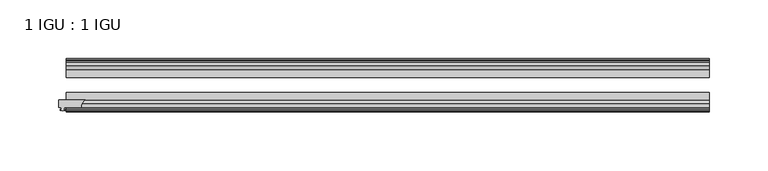
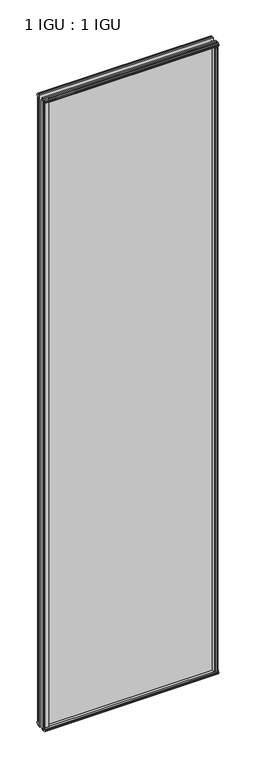
"""IFC4 building model written with IfcOpenShell, lengths in millimetres: plate geometry, 1 IGU : 1 IGU."""

from ifc_helpers import new_model, si_unit, point, frame, frame_2d, origin, origin_with_axes, place, context, project, spatial, polyline, circle_curve, trimmed, segment, composite_curve, outline, extrude, source, transform, mapped, element, save


def plate_1_igu_1_igu_c4179793(model_context):
    return source(origin(), model_context, "Body", "SweptSolid", [
        extrude(outline(composite_curve([segment(trimmed(circle_curve(frame_2d((-252.918249, -51.2493858)), 7.4386445), [point((-256.8681783, -44.9460937))], [point((-260.3567469, -51.2960937))], True, "CARTESIAN"), True, "CONTINUOUS"), segment(polyline([(-260.3567469, -51.2960937), (-274.9617469, -51.2960937), (-275.2792469, -53.4006957), (-274.073341, -53.0775742), (-274.073341, -53.8927506), (-276.2317469, -54.4710937), (-278.3901528, -53.8927506), (-278.3901528, -53.0775742), (-277.1842469, -53.4006957), (-277.5017469, -51.2960937), (-279.4067469, -51.2960937), (-279.4067469, -44.9460937), (-256.8681783, -44.9460937)]), True, "CONTINUOUS")], self_intersect=False)), origin_with_axes(), (0.0, 0.0, 1.0), 2082.7872998),
        extrude(outline(polyline([(258.7709606, -19.5460937), (260.8762377, -13.1960937), (266.0834321, -13.1960937), (266.4644321, -10.8158968), (265.048903, -11.27583), (265.048903, -10.4746158), (267.2264321, -9.7670937), (269.4039611, -10.4746158), (269.4039611, -11.27583), (267.9884321, -10.8158968), (268.3694321, -13.1960937), (272.8144321, -13.1960937), (272.8144321, -16.1419073), (270.6013546, -19.5460937), (258.7709606, -19.5460937)])), origin_with_axes(), (0.0, 0.0, 1.0), 2070.1),
        extrude(outline(polyline([(-258.7709606, -19.5460937), (-270.6013546, -19.5460937), (-272.8144321, -16.1419073), (-272.8144321, -13.1960937), (-268.3694321, -13.1960937), (-267.9884321, -10.8158968), (-269.4039611, -11.27583), (-269.4039611, -10.4746158), (-267.2264321, -9.7670937), (-265.048903, -10.4746158), (-265.048903, -11.27583), (-266.4644321, -10.8158968), (-266.0834321, -13.1960937), (-260.8762377, -13.1960937), (-258.7709606, -19.5460937)])), origin_with_axes(), (0.0, 0.0, 1.0), 2070.1),
        extrude(outline(polyline([(-16.1419073, -12.4576852), (-19.5460937, -10.2446077), (-19.5460937, 1.5857863), (-13.1960937, -0.5194908), (-13.1960937, -5.7266852), (-10.8158968, -6.1076852), (-11.27583, -4.6921562), (-10.4746158, -4.6921562), (-9.7670937, -6.8696852), (-10.4746158, -9.0472143), (-11.27583, -9.0472143), (-10.8158968, -7.6316852), (-13.1960937, -8.0126852), (-13.1960937, -12.4576852), (-16.1419073, -12.4576852)])), frame((-273.0567469, 0.0, 0.0), z_axis=(1.0, 0.0, 0.0), x_axis=(0.0, 1.0, 0.0)), (0.0, 0.0, 1.0), 546.1134937),
        extrude(outline(polyline([(-48.3502802, -11.938), (-51.2960937, -11.938), (-51.2960937, -7.493), (-53.6762907, -7.112), (-53.2163575, -8.5275291), (-54.0175717, -8.5275291), (-54.7250937, -6.35), (-54.0175717, -4.172471), (-53.2163575, -4.172471), (-53.6762907, -5.588), (-51.2960937, -5.207), (-51.2960937, 0.0001944), (-44.9460937, 2.1054715), (-44.9460937, -9.7249225), (-48.3502802, -11.938)])), frame((-273.0567469, 0.0, 0.0), z_axis=(1.0, 0.0, 0.0), x_axis=(0.0, 1.0, 0.0)), (0.0, 0.0, 1.0), 546.1134937),
        extrude(outline(polyline([(-16.1028367, 2082.5576852), (-13.1960937, 2082.5576852), (-13.1960937, 2078.1126852), (-10.8158968, 2077.7316852), (-11.27583, 2079.1472143), (-10.4746158, 2079.1472143), (-9.7670937, 2076.9696852), (-10.4746158, 2074.7921562), (-11.27583, 2074.7921562), (-10.8158968, 2076.2076852), (-13.1960937, 2075.8266852), (-13.1960937, 2070.5940908), (-19.5460937, 2068.4888137), (-19.5460937, 2080.3192077), (-16.1028367, 2082.5576852)])), frame((-273.0567469, 0.0, 0.0), z_axis=(1.0, 0.0, 0.0), x_axis=(0.0, 1.0, 0.0)), (0.0, 0.0, 1.0), 546.1134937),
        extrude(outline(polyline([(-48.3893508, 2082.0126), (-44.9460937, 2079.7741225), (-44.9460937, 2067.9437285), (-51.2960937, 2070.0490056), (-51.2960937, 2075.2816), (-53.6762907, 2075.6626), (-53.2163575, 2074.2470709), (-54.0175717, 2074.2470709), (-54.7250938, 2076.4246), (-54.0175717, 2078.602129), (-53.2163575, 2078.602129), (-53.6762907, 2077.1866), (-51.2960937, 2077.5676), (-51.2960937, 2082.0126), (-48.3893508, 2082.0126)])), frame((-273.0567469, 0.0, 0.0), z_axis=(1.0, 0.0, 0.0), x_axis=(0.0, 1.0, 0.0)), (0.0, 0.0, 1.0), 546.1134937),
        extrude(outline(polyline([(258.2512754, -44.9460938), (270.0816694, -44.9460938), (272.2947469, -48.3502802), (272.2947469, -51.2960938), (267.8497469, -51.2960938), (267.4687469, -53.6762907), (268.8842759, -53.2163575), (268.8842759, -54.0175717), (266.7067469, -54.7250938), (264.5292178, -54.0175717), (264.5292178, -53.2163575), (265.9447469, -53.6762907), (265.5637469, -51.2960938), (260.3565525, -51.2960938), (258.2512754, -44.9460938)])), origin_with_axes(), (0.0, 0.0, 1.0), 2070.1),
        extrude(outline(polyline([(273.0567469, -19.5460937), (273.0567469, -25.8337453), (-273.0567469, -25.8337453), (-273.0567469, -19.5460937), (273.0567469, -19.5460937)])), frame((0.0, 0.0, -12.7), z_axis=(0.0, 0.0, 1.0), x_axis=(1.0, 0.0, 0.0)), (0.0, 0.0, 1.0), 2095.4872998),
        extrude(outline(polyline([(-273.0567469, -44.9460937), (-273.0567469, -38.6468938), (273.0567469, -38.6468938), (273.0567469, -44.9460937), (-273.0567469, -44.9460937)])), frame((0.0, 0.0, -12.7), z_axis=(0.0, 0.0, 1.0), x_axis=(1.0, 0.0, 0.0)), (0.0, 0.0, 1.0), 2095.4872998),
    ])


if __name__ == "__main__":
    model = new_model("IFC4")
    model_context = context("Model", 3, world=origin())
    ifc_project = project(units=[si_unit("LENGTHUNIT", "METRE", prefix="MILLI")], contexts=[model_context])
    site = spatial("IfcSite", under=ifc_project)
    building = spatial("IfcBuilding", under=site)
    placement = place(None, origin())
    plate_1_igu_1_igu_shape = plate_1_igu_1_igu_c4179793(model_context)
    element("IfcPlate", 1, ObjectType="1 IGU : 1 IGU", at=placement, inside=building, context=model_context, shape_type="MappedRepresentation", body=[
        mapped(plate_1_igu_1_igu_shape, transform((0.0, 0.0, 0.0), x_axis=(1.0, 0.0, 0.0), y_axis=(0.0, 1.0, 0.0), z_axis=(0.0, 0.0, 1.0))),
    ])
    save(model, "model.ifc")
